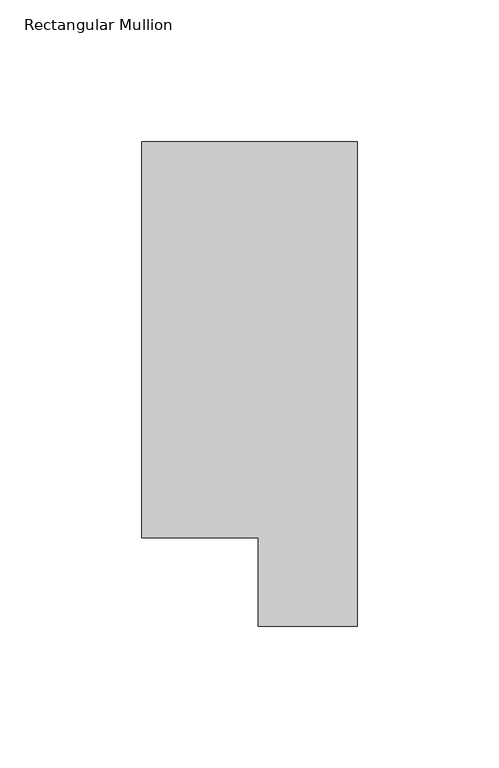
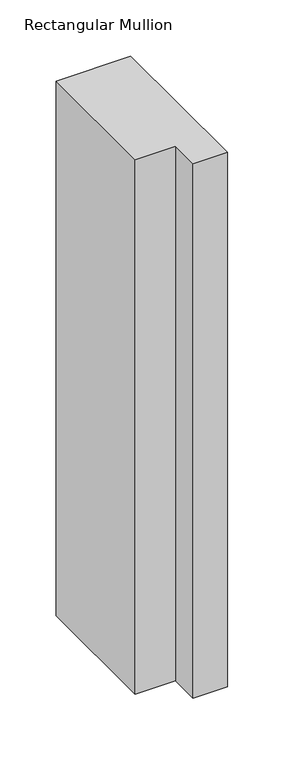
"""IFC4 building model written with IfcOpenShell, lengths in millimetres: member geometry, Rectangular Mullion."""

import ifcopenshell
import ifcopenshell.guid

model = None  # the IFC model being written
_history = None  # IfcOwnerHistory: only IFC2X3 demands one
_inside = {}  # id of a spatial element -> (the spatial element, [elements in it])
_under = {}  # id of a project, library or spatial element -> (it, [spatial elements below it])
_declared = {}  # id of a project -> (the project, [libraries it declares])
_typed = {}  # id of a type object -> (the type object, [elements of that type])
_made_of = {}  # id of a material, layer set ... -> (it, [elements and type objects made of it])


def new_model(schema):
    """Start an empty IFC model of exactly this schema.

    Asked for "IFC4X3", IfcOpenShell would pick the latest addendum, in which some entities
    have other attributes; the version numbers below select the first issue.
    IFC2X3 requires an IfcOwnerHistory on every rooted entity: one is made here for all.
    """
    global model, _history
    if schema == "IFC4X3":
        model = ifcopenshell.file(schema_version=(4, 3, 0, 0))
    else:
        model = ifcopenshell.file(schema=schema)
    _inside.clear()
    _under.clear()
    _declared.clear()
    _typed.clear()
    _made_of.clear()
    _history = None
    if model.schema == "IFC2X3":
        org = make("IfcOrganization", Name="unknown")
        user = make(
            "IfcPersonAndOrganization",
            ThePerson=make("IfcPerson", FamilyName="unknown"),
            TheOrganization=org,
        )
        app = make(
            "IfcApplication",
            ApplicationDeveloper=org,
            Version="unknown",
            ApplicationFullName="unknown",
            ApplicationIdentifier="unknown",
        )
        _history = make(
            "IfcOwnerHistory",
            OwningUser=user,
            OwningApplication=app,
            ChangeAction="ADDED",
            CreationDate=0,
        )
    return model


def make(cls, **values):
    """One entity of the class cls with the attributes given. An attribute that is None is left unset."""
    return model.create_entity(
        cls, **{name: value for name, value in values.items() if value is not None}
    )


def rooted(cls, **values):
    """An entity with a GlobalId (a new one), such as an element, a storey or a relation."""
    return make(cls, GlobalId=ifcopenshell.guid.new(), OwnerHistory=_history, **values)


def si_unit(unit_type, name, prefix=None):
    """IfcSIUnit, for example si_unit("LENGTHUNIT", "METRE", prefix="MILLI")."""
    return make("IfcSIUnit", UnitType=unit_type, Prefix=prefix, Name=name)


def assignment(units):
    """IfcUnitAssignment: the units of a project."""
    return None if units is None else make("IfcUnitAssignment", Units=units)


def point(xyz):
    """IfcCartesianPoint."""
    return None if xyz is None else make("IfcCartesianPoint", Coordinates=xyz)


def direction(xyz):
    """IfcDirection."""
    return None if xyz is None else make("IfcDirection", DirectionRatios=xyz)


def frame(location, z_axis=None, x_axis=None):
    """IfcAxis2Placement3D, a coordinate frame: its origin and axes. An axis left out is left unset."""
    return make(
        "IfcAxis2Placement3D",
        Location=point(location),
        Axis=direction(z_axis),
        RefDirection=direction(x_axis),
    )


def origin():
    """The frame at (0, 0, 0) with its axes left unset."""
    return frame((0.0, 0.0, 0.0))


def place(relative_to, where):
    """IfcLocalPlacement: puts the frame where relative to a parent placement (None: the world)."""
    return make(
        "IfcLocalPlacement", PlacementRelTo=relative_to, RelativePlacement=where
    )


def context(
    kind, dimensions, precision=None, world=None, true_north=None, identifier=None
):
    """IfcGeometricRepresentationContext, for example the 3D "Model" context."""
    return make(
        "IfcGeometricRepresentationContext",
        ContextIdentifier=identifier,
        ContextType=kind,
        CoordinateSpaceDimension=dimensions,
        Precision=precision,
        WorldCoordinateSystem=world,
        TrueNorth=true_north,
    )


def project(units=None, contexts=None):
    """IfcProject with its units and contexts."""
    return rooted(
        "IfcProject",
        Name="project",
        RepresentationContexts=contexts,
        UnitsInContext=assignment(units),
    )


def spatial(cls, under=None, at=None, **own):
    """A site, building, storey or space (cls), placed at a placement, below another one or the project."""
    s = rooted(cls, ObjectPlacement=at, **own)
    if under is not None:
        _under.setdefault(under.id(), (under, []))[1].append(s)
    return s


def polyline(points):
    """IfcPolyline through the points."""
    return make("IfcPolyline", Points=[point(p) for p in points])


def outline(outer, holes=None, kind="AREA"):
    """IfcArbitraryClosedProfileDef: a profile drawn as a closed curve; with holes, ...WithVoids."""
    if holes is None:
        return make("IfcArbitraryClosedProfileDef", ProfileType=kind, OuterCurve=outer)
    return make(
        "IfcArbitraryProfileDefWithVoids",
        ProfileType=kind,
        OuterCurve=outer,
        InnerCurves=holes,
    )


def extrude(swept, where, along, depth):
    """IfcExtrudedAreaSolid: the profile swept, set in the frame where, extruded along a direction by depth."""
    return make(
        "IfcExtrudedAreaSolid",
        SweptArea=swept,
        Position=where,
        ExtrudedDirection=direction(along),
        Depth=depth,
    )


def shape(context_of_items, identifier, shape_type, items):
    """IfcShapeRepresentation: the items that make up one representation, for example the "Body"."""
    return make(
        "IfcShapeRepresentation",
        ContextOfItems=context_of_items,
        RepresentationIdentifier=identifier,
        RepresentationType=shape_type,
        Items=items,
    )


def source(mapping_origin, context_of_items, identifier, shape_type, items):
    """IfcRepresentationMap: a shape defined once, which mapped items show again and again."""
    return make(
        "IfcRepresentationMap",
        MappingOrigin=mapping_origin,
        MappedRepresentation=shape(context_of_items, identifier, shape_type, items),
    )


def transform(
    local_origin,
    x_axis=None,
    y_axis=None,
    z_axis=None,
    scale=None,
    scale2=None,
    scale3=None,
    uniform=True,
):
    """IfcCartesianTransformationOperator3D, or its non-uniform kind. x_axis, y_axis, z_axis: its Axis1, 2, 3."""
    if uniform:
        return make(
            "IfcCartesianTransformationOperator3D",
            Axis1=direction(x_axis),
            Axis2=direction(y_axis),
            LocalOrigin=point(local_origin),
            Scale=scale,
            Axis3=direction(z_axis),
        )
    return make(
        "IfcCartesianTransformationOperator3DnonUniform",
        Axis1=direction(x_axis),
        Axis2=direction(y_axis),
        LocalOrigin=point(local_origin),
        Scale=scale,
        Axis3=direction(z_axis),
        Scale2=scale2,
        Scale3=scale3,
    )


def mapped(mapping_source, mapping_target):
    """IfcMappedItem: shows the shape of a source again, moved by a transform."""
    return make(
        "IfcMappedItem", MappingSource=mapping_source, MappingTarget=mapping_target
    )


def made_of(thing, what):
    """Note that an element or type object is made of a material, layer set ...; save() writes the relation."""
    if what is not None:
        _made_of.setdefault(what.id(), (what, []))[1].append(thing)
    return thing


def element(
    cls,
    number,
    at=None,
    inside=None,
    cuts=None,
    type_object=None,
    material=None,
    context=None,
    identifier="Body",
    shape_type=None,
    held_by="IfcProductDefinitionShape",
    body=None,
    shapes=None,
    **own,
):
    """One element of the class cls, such as IfcWall. Its Tag is "e" and its number.

    at: its placement. inside: the storey or other place that contains it. cuts: it is an
    opening in that element (IfcRelVoidsElement). A single representation is given by context,
    identifier, shape_type and body (its items); several are given by shapes. held_by: the class
    of the entity that holds the representations. save() writes the other relations.
    """
    e = rooted(cls, Tag="e%d" % number, ObjectPlacement=at, **own)
    if body is not None:
        shapes = [shape(context, identifier, shape_type, body)]
    if shapes is not None:
        e.Representation = make(held_by, Representations=shapes)
    if inside is not None:
        _inside.setdefault(inside.id(), (inside, []))[1].append(e)
    if cuts is not None:
        rooted(
            "IfcRelVoidsElement", RelatingBuildingElement=cuts, RelatedOpeningElement=e
        )
    if type_object is not None:
        _typed.setdefault(type_object.id(), (type_object, []))[1].append(e)
    return made_of(e, material)


def aggregate(whole, parts):
    """IfcRelAggregates: a whole, such as a stair, and the parts it consists of."""
    return rooted("IfcRelAggregates", RelatingObject=whole, RelatedObjects=parts)


def save(model, path):
    """Write the relations noted so far, then the file.

    IfcRelAggregates (storeys below a building ...), IfcRelContainedInSpatialStructure (elements
    in a storey), IfcRelDefinesByType, IfcRelAssociatesMaterial and IfcRelDeclares: one each for
    every whole, place, type object, material and project.
    """
    for whole, parts in _under.values():
        aggregate(whole, parts)
    for where, things in _inside.values():
        rooted(
            "IfcRelContainedInSpatialStructure",
            RelatedElements=things,
            RelatingStructure=where,
        )
    for kind, things in _typed.values():
        rooted("IfcRelDefinesByType", RelatedObjects=things, RelatingType=kind)
    for what, things in _made_of.values():
        rooted("IfcRelAssociatesMaterial", RelatedObjects=things, RelatingMaterial=what)
    for by, libraries in _declared.values():
        rooted("IfcRelDeclares", RelatingContext=by, RelatedDefinitions=libraries)
    model.write(path)


def rectangular_mullion_3e5852f5(model_context):
    return source(origin(), model_context, "Body", "SweptSolid", [
        extrude(outline(polyline([(-76.2, 190.7881317), (0.0, 190.7881317), (0.0, 19.5667317), (-34.9123, 19.5667317), (-34.9123, 50.8087306), (-76.2, 50.8087306), (-76.2, 190.7881317)])), frame((0.0, 0.0, -577.8499996), z_axis=(0.0, 0.0, 1.0), x_axis=(1.0, 0.0, 0.0)), (0.0, 0.0, 1.0), 577.8499996),
    ])


if __name__ == "__main__":
    model = new_model("IFC4")
    model_context = context("Model", 3, world=origin())
    ifc_project = project(units=[si_unit("LENGTHUNIT", "METRE", prefix="MILLI")], contexts=[model_context])
    site = spatial("IfcSite", under=ifc_project)
    building = spatial("IfcBuilding", under=site)
    placement = place(None, origin())
    rectangular_mullion_shape = rectangular_mullion_3e5852f5(model_context)
    element("IfcMember", 1, ObjectType="Rectangular Mullion", at=placement, inside=building, context=model_context, shape_type="MappedRepresentation", body=[
        mapped(rectangular_mullion_shape, transform((0.0, 0.0, 0.0), x_axis=(1.0, 0.0, 0.0), y_axis=(0.0, 1.0, 0.0), z_axis=(0.0, 0.0, 1.0))),
    ])
    save(model, "model.ifc")
